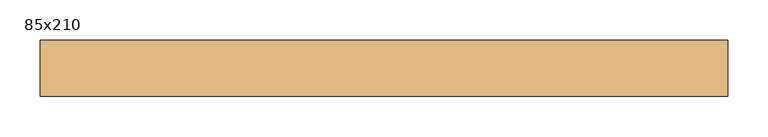
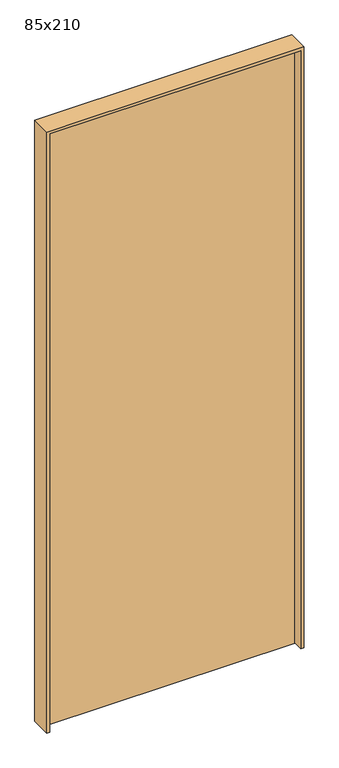
"""IFC4 building model written with IfcOpenShell, lengths in millimetres: door geometry, 85x210."""

from ifc_helpers import new_model, si_unit, frame, origin, origin_with_axes, place, context, project, spatial, polyline, outline, extrude, source, transform, mapped, element, save


def door_85x210_9ef72397(model_context):
    return source(origin(), model_context, "Body", "SweptSolid", [
        extrude(outline(polyline([(2090.0, 415.0), (0.0, 415.0), (0.0, 425.0), (2100.0, 425.0), (2100.0, -425.0), (0.0, -425.0), (0.0, -415.0), (2090.0, -415.0), (2090.0, 415.0)])), frame((0.0, -34.0, 0.0), z_axis=(0.0, 1.0, 0.0), x_axis=(0.0, 0.0, 1.0)), (0.0, 0.0, 1.0), 69.0),
        extrude(outline(polyline([(-415.0, 30.0), (415.0, 30.0), (415.0, 0.0), (-415.0, 0.0), (-415.0, 30.0)])), origin_with_axes(), (0.0, 0.0, 1.0), 2090.0),
    ])


if __name__ == "__main__":
    model = new_model("IFC4")
    model_context = context("Model", 3, world=origin())
    ifc_project = project(units=[si_unit("LENGTHUNIT", "METRE", prefix="MILLI")], contexts=[model_context])
    site = spatial("IfcSite", under=ifc_project)
    building = spatial("IfcBuilding", under=site)
    placement = place(None, origin())
    door_85x210_shape = door_85x210_9ef72397(model_context)
    element("IfcDoor", 1, ObjectType="85x210", at=placement, inside=building, context=model_context, shape_type="MappedRepresentation", body=[
        mapped(door_85x210_shape, transform((0.0, 0.0, 0.0), x_axis=(1.0, 0.0, 0.0), y_axis=(0.0, 1.0, 0.0), z_axis=(0.0, 0.0, 1.0))),
    ])
    save(model, "model.ifc")
